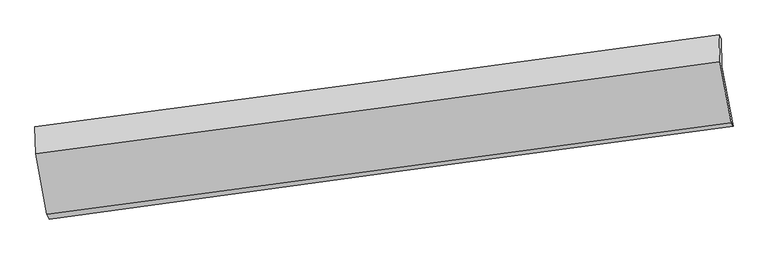
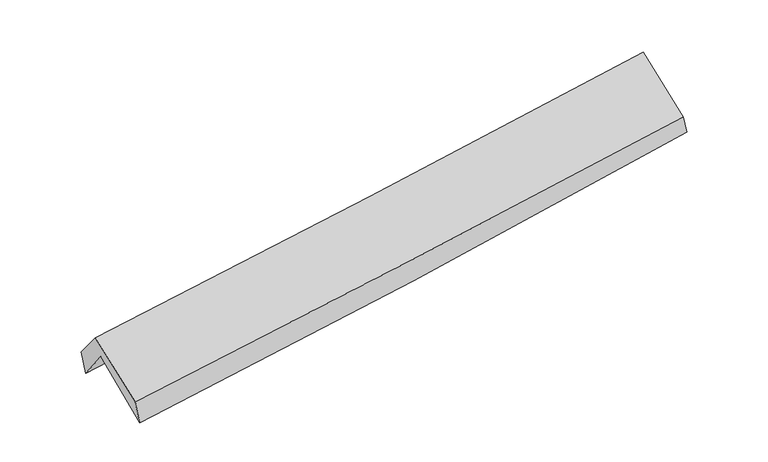
"""IFC4 building model written with IfcOpenShell, lengths in millimetres: proxy geometry."""

from ifc_helpers import new_model, si_unit, frame, origin, place, context, project, spatial, source, transform, mapped, element, save
from ifc_brep_helpers import plane_surface, spline_curve, spline_surface, advanced_brep


def generic_models_c247e16d(model_context):
    return source(origin(), model_context, "Body", "AdvancedBrep", [
        advanced_brep(
        [(-2915.0941105, -2501.2853373, 1453.2242947), (-3013.4495858, -1994.1008718, 1886.8700728), (2954.4602185, -1173.0252362, 2389.3717401), (3053.4133038, -1691.8248417, 1966.957527), (-3019.5601016, -1743.8384142, 1558.3506154), (2948.8455819, -930.6422227, 2067.3145127), (-3041.7530072, -1697.4798307, 1766.8283141), (2931.659259, -894.3223616, 2228.0792836), (-3034.5925786, -1932.4968226, 2057.1482545), (2938.8592665, -1130.6383961, 2520.0039504), (-2936.7764562, -2458.5320585, 1661.031254), (3038.2730024, -1662.4503049, 2112.8430788)],
        [
            (0, 1),
            (1, 2, spline_curve(3, [(-3013.4495858, -1994.1008718, 1886.8700728), (-2017.412373609, -1856.902328109, 1952.765367333), (-1022.084614395, -1719.882376634, 2027.586449069), (967.218749005, -1446.190473871, 2195.08580655), (1961.194257723, -1309.518546838, 2287.765280752), (2954.4602185, -1173.0252362, 2389.3717401)], [4, 2, 4], [0.0, 9.916676889972406, 19.83401930783112])),
            (2, 3),
            (3, 0, spline_curve(3, [(3053.4133038, -1691.8248417, 1966.957527), (2060.421975392, -1825.467548789, 1857.206942753), (1066.533973796, -1959.746228596, 1759.519516184), (-922.9686177, -2229.566479221, 1588.276724245), (-1918.583087751, -2365.107964734, 1514.71974018), (-2915.0941105, -2501.2853373, 1453.2242947)], [4, 2, 4], [0.0, 9.917342417858714, 19.83401930783112])),
            (1, 4),
            (4, 5, spline_curve(3, [(-3019.5601016, -1743.8384142, 1558.3506154), (-2023.581168373, -1606.324419831, 1624.478605389), (-1028.241229093, -1469.803313839, 1699.95452151), (961.227417649, -1198.737783593, 1869.607899187), (1955.356039771, -1064.193492088, 1963.786615449), (2948.8455819, -930.6422227, 2067.3145127)], [4, 2, 4], [0.0, 9.916464776954566, 19.833595067560115])),
            (5, 2),
            (4, 6),
            (6, 7, spline_curve(3, [(-3041.7530072, -1697.4798307, 1766.8283141), (-2045.062382113, -1566.962786888, 1835.224671784), (-1048.949397436, -1434.776777811, 1907.858999421), (942.188101991, -1167.057845516, 2061.608754032), (1937.212539874, -1031.524698215, 2142.72474928), (2931.659259, -894.3223616, 2228.0792836)], [4, 2, 4], [0.0, 9.91598969967792, 19.832644881123443])),
            (7, 5),
            (6, 8),
            (8, 9, spline_curve(3, [(-3034.5925786, -1932.4968226, 2057.1482545), (-2037.914107315, -1801.580867695, 2125.051831389), (-1041.803902032, -1669.303642416, 2197.573478509), (949.34678943, -1402.017682839, 2351.858090291), (1944.387198954, -1267.00876595, 2433.621675213), (2938.8592665, -1130.6383961, 2520.0039504)], [4, 2, 4], [0.0, 9.915778184539661, 19.832221836651723])),
            (9, 7),
            (8, 10),
            (10, 11, spline_curve(3, [(-2936.7764562, -2458.5320585, 1661.031254), (-1939.788782506, -2327.88532523, 1725.418154434), (-943.390845547, -2196.224072446, 1795.261143576), (1048.292386614, -1930.863624219, 1945.864352894), (2043.577602421, -1797.164292215, 2026.625305414), (3038.2730024, -1662.4503049, 2112.8430788)], [4, 2, 4], [0.0, 9.915775877043519, 19.832217221504578])),
            (11, 9),
            (10, 0),
            (3, 11),
        ],
        [
            spline_surface(3, 3, [[(-2915.0941105, -2501.2853373, 1453.2242947), (-1918.583087747, -2365.107964695, 1514.719740204), (-922.968617841, -2229.566479191, 1588.276724329), (1066.533973936, -1959.746228627, 1759.519516101), (2060.421975462, -1825.467548951, 1857.206942728), (3053.4133038, -1691.8248417, 1966.957527)], [(-2947.87926891, -2332.223848792, 1597.772887394), (-1951.52618302, -2195.706085804, 1660.734949254), (-956.007283361, -2059.671778273, 1734.713299184), (1033.428898927, -1788.560977065, 1904.7082796), (2027.346069582, -1653.484548311, 2000.726388762), (3020.428942037, -1518.891639878, 2107.762264716)], [(-2980.66442739, -2163.162360308, 1742.321480106), (-1984.469278364, -2026.304206937, 1806.750158321), (-989.045948829, -1889.777077418, 1881.149874103), (1000.323823969, -1617.375725566, 2049.897043161), (1994.270163691, -1481.501547637, 2144.245834747), (2987.444580263, -1345.958438022, 2248.567002384)], [(-3013.4495858, -1994.1008718, 1886.8700728), (-2017.412373637, -1856.902328046, 1952.765367371), (-1022.084614349, -1719.8823765, 2027.586448959), (967.21874896, -1446.190474004, 2195.08580666), (1961.194257811, -1309.518546997, 2287.76528078), (2954.4602185, -1173.0252362, 2389.3717401)]], [4, 4], [4, 2, 4], [0.0, 2.2322992893036835], [0.0, 9.916676889972406, 19.83401930783112]),
            spline_surface(3, 3, [[(-3013.4495858, -1994.1008718, 1886.8700728), (-2017.412373637, -1856.902328046, 1952.765367371), (-1022.084614349, -1719.8823765, 2027.586448959), (967.21874896, -1446.190474004, 2195.08580666), (1961.194257811, -1309.518546997, 2287.76528078), (2954.4602185, -1173.0252362, 2389.3717401)], [(-3015.486424422, -1910.680052586, 1777.363587014), (-2019.468638588, -1773.376358628, 1843.336446697), (-1024.13681929, -1636.522688977, 1918.37580648), (965.221638566, -1363.706243843, 2086.593170835), (1959.248185107, -1227.743528736, 2179.772392299), (2952.588672976, -1092.230898371, 2282.019330936)], [(-3017.523262978, -1827.259233414, 1667.857101186), (-2021.524903472, -1689.850389253, 1733.907525981), (-1026.189024256, -1553.163001445, 1809.165163997), (963.224528147, -1281.222013672, 1978.100535004), (1957.302112374, -1145.968510461, 2071.779503912), (2950.717127424, -1011.436560529, 2174.666921864)], [(-3019.5601016, -1743.8384142, 1558.3506154), (-2023.581168423, -1606.324419835, 1624.478605307), (-1028.241229197, -1469.803313922, 1699.954521518), (961.227417753, -1198.73778351, 1869.607899178), (1955.35603967, -1064.1934922, 1963.786615431), (2948.8455819, -930.6422227, 2067.3145127)]], [4, 4], [4, 2, 4], [0.0, 1.3469810833612899], [0.0, 9.916464776954566, 19.833595067560115]),
            spline_surface(3, 3, [[(-3019.5601016, -1743.8384142, 1558.3506154), (-2023.581168423, -1606.324419835, 1624.478605307), (-1028.241229197, -1469.803313922, 1699.954521518), (961.227417753, -1198.73778351, 1869.607899178), (1955.35603967, -1064.1934922, 1963.786615431), (2948.8455819, -930.6422227, 2067.3145127)], [(-3026.957736808, -1728.385553037, 1627.84318162), (-2030.741572942, -1593.203875558, 1694.727294162), (-1035.143951983, -1458.127801902, 1769.256014217), (954.880979186, -1188.17780418, 1933.6081841), (1949.308206334, -1053.303894204, 2023.432660098), (2943.116807584, -918.535602311, 2120.902769687)], [(-3034.355371992, -1712.932691863, 1697.33574788), (-2037.901977436, -1580.083331269, 1764.975983058), (-1042.04667474, -1446.452289855, 1838.557506863), (948.534540648, -1177.617824822, 1997.608468969), (1943.260373047, -1042.414296276, 2083.078704705), (2937.388033316, -906.428981989, 2174.491026613)], [(-3041.7530072, -1697.4798307, 1766.8283141), (-2045.062381955, -1566.962786991, 1835.224671914), (-1048.949397526, -1434.776777835, 1907.858999562), (942.18810208, -1167.057845492, 2061.608753891), (1937.21253971, -1031.524698279, 2142.724749372), (2931.659259, -894.3223616, 2228.0792836)]], [4, 4], [4, 2, 4], [0.0, 0.6682632740137725], [0.0, 9.91598969967792, 19.832644881123443]),
            spline_surface(3, 3, [[(-3041.7530072, -1697.4798307, 1766.8283141), (-2045.062381955, -1566.962786991, 1835.224671914), (-1048.949397526, -1434.776777835, 1907.858999562), (942.18810208, -1167.057845492, 2061.608753891), (1937.21253971, -1031.524698279, 2142.724749372), (2931.659259, -894.3223616, 2228.0792836)], [(-3039.366197654, -1775.818828002, 1863.601627566), (-2042.679623714, -1645.168813848, 1931.833725035), (-1046.567565666, -1512.952399331, 2004.430492496), (944.574331171, -1245.377791284, 2158.358532746), (1939.604092832, -1110.019387494, 2239.690391344), (2934.059261495, -973.094373091, 2325.387505851)], [(-3036.979388146, -1854.157825298, 1960.374941034), (-2040.29686551, -1723.374840697, 2028.442778159), (-1044.18573381, -1591.128020859, 2101.001985419), (946.960560257, -1323.697737108, 2255.108311591), (1941.995645968, -1188.514076735, 2336.656033363), (2936.459264005, -1051.866384609, 2422.695728149)], [(-3034.5925786, -1932.4968226, 2057.1482545), (-2037.914107269, -1801.580867553, 2125.051831281), (-1041.80390195, -1669.303642355, 2197.573478353), (949.346789347, -1402.0176829, 2351.858090447), (1944.38719909, -1267.00876595, 2433.621675334), (2938.8592665, -1130.6383961, 2520.0039504)]], [4, 4], [4, 2, 4], [0.0, 1.2242638473544936], [0.0, 9.915778184539661, 19.832221836651723]),
            spline_surface(3, 3, [[(-3034.5925786, -1932.4968226, 2057.1482545), (-2037.914107269, -1801.580867553, 2125.051831281), (-1041.80390195, -1669.303642355, 2197.573478353), (949.346789347, -1402.0176829, 2351.858090447), (1944.38719909, -1267.00876595, 2433.621675334), (2938.8592665, -1130.6383961, 2520.0039504)], [(-3001.987204478, -2107.841901246, 1925.109254344), (-2005.205665726, -1977.015686769, 1991.840605689), (-1008.99954979, -1844.943785731, 2063.469366767), (982.32865509, -1578.299663312, 2216.526844577), (1977.450666838, -1443.727274753, 2297.956218671), (2971.997178489, -1307.909032398, 2384.28365988)], [(-2969.381830322, -2283.186979854, 1793.070254156), (-1972.497224149, -2152.450505946, 1858.629380065), (-976.195197649, -2020.58392913, 1929.3652552), (1015.310520813, -1754.581643748, 2081.195598726), (2010.514134519, -1620.445783461, 2162.290761969), (3005.135090411, -1485.179668602, 2248.56336932)], [(-2936.7764562, -2458.5320585, 1661.031254), (-1939.788782606, -2327.885325162, 1725.418154474), (-943.390845489, -2196.224072506, 1795.261143614), (1048.292386556, -1930.863624159, 1945.864352857), (2043.577602267, -1797.164292264, 2026.625305306), (3038.2730024, -1662.4503049, 2112.8430788)]], [4, 4], [4, 2, 4], [0.0, 2.2051005889169515], [0.0, 9.915775877043519, 19.832217221504578]),
            spline_surface(3, 3, [[(-2936.7764562, -2458.5320585, 1661.031254), (-1939.788782606, -2327.885325162, 1725.418154474), (-943.390845489, -2196.224072506, 1795.261143614), (1048.292386556, -1930.863624159, 1945.864352857), (2043.577602267, -1797.164292264, 2026.625305306), (3038.2730024, -1662.4503049, 2112.8430788)], [(-2929.549007628, -2472.783151436, 1591.762267562), (-1932.720217648, -2340.292871676, 1655.185349713), (-936.583436263, -2207.338208095, 1726.266337189), (1054.372915693, -1940.491159009, 1883.749407275), (2049.192393318, -1806.598711143, 1970.152517777), (3043.31976952, -1672.241817151, 2064.214561531)], [(-2922.321559072, -2487.034244364, 1522.493281138), (-1925.651652705, -2352.700418181, 1584.952544965), (-929.776027067, -2218.452343602, 1657.271530754), (1060.453444799, -1950.118693777, 1821.634461683), (2054.80718441, -1816.033130071, 1913.679730257), (3048.36653668, -1682.033329449, 2015.586044269)], [(-2915.0941105, -2501.2853373, 1453.2242947), (-1918.583087747, -2365.107964695, 1514.719740204), (-922.968617841, -2229.566479191, 1588.276724329), (1066.533973936, -1959.746228627, 1759.519516101), (2060.421975462, -1825.467548951, 1857.206942728), (3053.4133038, -1691.8248417, 1966.957527)]], [4, 4], [4, 2, 4], [0.0, 0.6563188968172291], [0.0, 9.91611945403195, 19.832904398539576]),
            plane_surface(frame((2977.5851053, -1247.1505605, 2214.0950154), z_axis=(0.9890522272712976, 0.12567449254132146, 0.07734089250950611), x_axis=(0.14681921400750125, -0.7854066211728985, -0.6013156889820778))),
            plane_surface(frame((-2993.53764, -2054.6222225, 1730.5754676), z_axis=(-0.9890522272713143, -0.12567449254114235, -0.07734089250958452), x_axis=(-0.10166885287744008, 0.2004707825627245, 0.9744100316054194))),
        ],
        [
            (0, [[1, 2, 3, 4]]),
            (1, [[5, 6, 7, -2]]),
            (2, [[8, 9, 10, -6]]),
            (3, [[11, 12, 13, -9]]),
            (4, [[14, 15, 16, -12]]),
            (5, [[17, -4, 18, -15]]),
            (6, [[-16, -18, -3, -7, -10, -13]]),
            (7, [[-17, -14, -11, -8, -5, -1]]),
        ],
    ),
    ])


if __name__ == "__main__":
    model = new_model("IFC4")
    model_context = context("Model", 3, world=origin())
    ifc_project = project(units=[si_unit("LENGTHUNIT", "METRE", prefix="MILLI")], contexts=[model_context])
    site = spatial("IfcSite", under=ifc_project)
    building = spatial("IfcBuilding", under=site)
    placement = place(None, origin())
    generic_models_shape = generic_models_c247e16d(model_context)
    element("IfcBuildingElementProxy", 1, Name="Generic Models", at=placement, inside=building, context=model_context, shape_type="MappedRepresentation", body=[
        mapped(generic_models_shape, transform((0.0, 0.0, 0.0), x_axis=(1.0, 0.0, 0.0), y_axis=(0.0, 1.0, 0.0), z_axis=(0.0, 0.0, 1.0))),
    ])
    save(model, "model.ifc")
